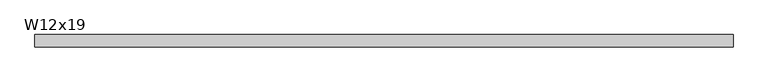
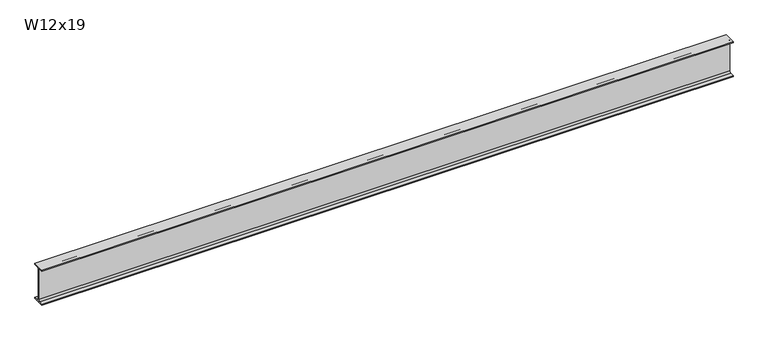
"""IFC4 building model written with IfcOpenShell, lengths in millimetres: beam geometry, W12x19."""

from ifc_helpers import new_model, si_unit, point, frame, frame_2d, origin, place, context, project, spatial, polyline, circle_curve, trimmed, segment, composite_curve, outline, extrude, source, transform, mapped, element, save


def w12x19_b1958c93(model_context):
    return source(origin(), model_context, "Body", "SweptSolid", [
        extrude(outline(composite_curve([segment(polyline([(50.927, -146.05), (50.927, -154.94), (-50.927, -154.94), (-50.927, -146.05), (-16.3195, -146.05)]), True, "CONTINUOUS"), segment(trimmed(circle_curve(frame_2d((-16.3195, -132.715)), 13.335), [point((-16.3195, -146.05))], [point((-2.9845, -132.715))], True, "CARTESIAN"), True, "CONTINUOUS"), segment(polyline([(-2.9845, -132.715), (-2.9845, 132.715)]), True, "CONTINUOUS"), segment(trimmed(circle_curve(frame_2d((-16.3195, 132.715)), 13.335), [point((-2.9845, 132.715))], [point((-16.3195, 146.05))], True, "CARTESIAN"), True, "CONTINUOUS"), segment(polyline([(-16.3195, 146.05), (-50.927, 146.05), (-50.927, 154.94), (50.927, 154.94), (50.927, 146.05), (16.3195, 146.05)]), True, "CONTINUOUS"), segment(trimmed(circle_curve(frame_2d((16.3195, 132.715)), 13.335), [point((16.3195, 146.05))], [point((2.9845, 132.715))], True, "CARTESIAN"), True, "CONTINUOUS"), segment(polyline([(2.9845, 132.715), (2.9845, -132.715)]), True, "CONTINUOUS"), segment(trimmed(circle_curve(frame_2d((16.3195, -132.715)), 13.335), [point((2.9845, -132.715))], [point((16.3195, -146.05))], True, "CARTESIAN"), True, "CONTINUOUS"), segment(polyline([(16.3195, -146.05), (50.927, -146.05)]), True, "CONTINUOUS")], self_intersect=False)), frame((-2857.373, 0.0, 0.0), z_axis=(1.0, 0.0, 0.0), x_axis=(0.0, 1.0, 0.0)), (0.0, 0.0, 1.0), 5816.4729994),
    ])


if __name__ == "__main__":
    model = new_model("IFC4")
    model_context = context("Model", 3, world=origin())
    ifc_project = project(units=[si_unit("LENGTHUNIT", "METRE", prefix="MILLI")], contexts=[model_context])
    site = spatial("IfcSite", under=ifc_project)
    building = spatial("IfcBuilding", under=site)
    placement = place(None, origin())
    w12x19_shape = w12x19_b1958c93(model_context)
    element("IfcBeam", 1, ObjectType="W12x19", at=placement, inside=building, context=model_context, shape_type="MappedRepresentation", body=[
        mapped(w12x19_shape, transform((0.0, 0.0, 0.0), x_axis=(1.0, 0.0, 0.0), y_axis=(0.0, 1.0, 0.0), z_axis=(0.0, 0.0, 1.0))),
    ])
    save(model, "model.ifc")
